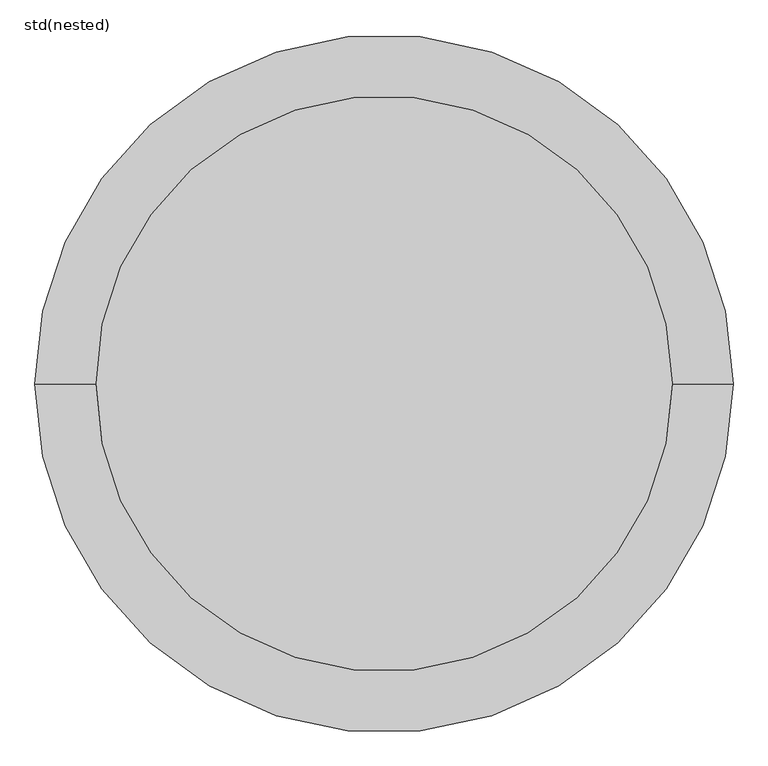
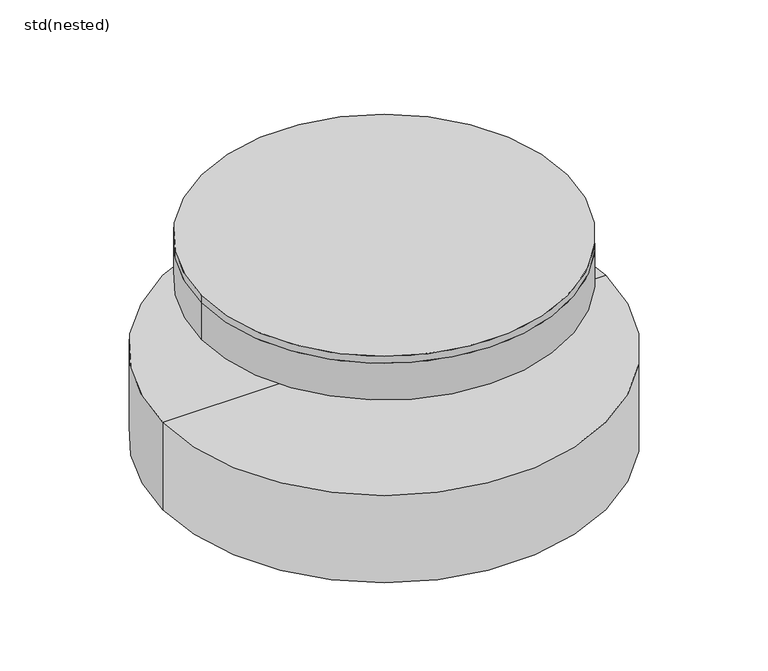
"""IFC4 building model written with IfcOpenShell, lengths in millimetres: unitary equipment geometry, std(nested)."""

from ifc_helpers import new_model, si_unit, point, frame, origin, origin_2d, place, context, project, spatial, polyline, circle_curve, trimmed, segment, composite_curve, outline, extrude, source, transform, mapped, element, save
from ifc_brep_helpers import plane_surface, cylinder_surface, revolved_surface, advanced_brep


def std_nested_99c95cc3(model_context):
    return source(origin(), model_context, "Body", "SolidModel", [
        extrude(outline(composite_curve([segment(trimmed(circle_curve(origin_2d(), 495.0), [point((-495.0, 0.0))], [point((495.0, 0.0))], False, "CARTESIAN"), True, "CONTINUOUS"), segment(trimmed(circle_curve(origin_2d(), 495.0), [point((495.0, 0.0))], [point((-495.0, 0.0))], False, "CARTESIAN"), True, "CONTINUOUS")], self_intersect=False)), frame((0.0, 0.0, -20.0), z_axis=(0.0, 0.0, 1.0), x_axis=(1.0, 0.0, 0.0)), (0.0, 0.0, 1.0), 20.0),
        extrude(outline(composite_curve([segment(trimmed(circle_curve(origin_2d(), 495.0), [point((-495.0, 0.0))], [point((495.0, 0.0))], False, "CARTESIAN"), True, "CONTINUOUS"), segment(trimmed(circle_curve(origin_2d(), 495.0), [point((495.0, 0.0))], [point((-495.0, 0.0))], False, "CARTESIAN"), True, "CONTINUOUS")], self_intersect=False)), frame((0.0, 0.0, -125.0), z_axis=(0.0, 0.0, 1.0), x_axis=(1.0, 0.0, 0.0)), (0.0, 0.0, 1.0), 105.0),
        advanced_brep(
        [(600.0, 0.0, -325.0), (-600.0, 0.0, -325.0), (0.0, 0.0, -325.0), (600.0, 0.0, -575.0), (-600.0, 0.0, -575.0), (555.0, 0.0, -575.0), (-555.0, 0.0, -575.0), (555.0, 0.0, -525.0), (-555.0, 0.0, -525.0), (0.0, 0.0, -525.0)],
        [
            (0, 1, circle_curve(frame((0.0, 0.0, -325.0), z_axis=(0.0, 0.0, 1.0), x_axis=(-1.0, 0.0, 0.0)), 600.0)),
            (1, 2),
            (2, 0),
            (1, 0, circle_curve(frame((0.0, 0.0, -325.0), z_axis=(0.0, 0.0, 1.0), x_axis=(-1.0, 0.0, 0.0)), 600.0)),
            (3, 4, circle_curve(frame((0.0, 0.0, -575.0), z_axis=(0.0, 0.0, 1.0), x_axis=(-1.0, 0.0, 0.0)), 600.0)),
            (4, 1),
            (0, 3),
            (4, 3, circle_curve(frame((0.0, 0.0, -575.0), z_axis=(0.0, 0.0, 1.0), x_axis=(-1.0, 0.0, 0.0)), 600.0)),
            (5, 6, circle_curve(frame((0.0, 0.0, -575.0), z_axis=(0.0, 0.0, 1.0), x_axis=(-1.0, 0.0, 0.0)), 555.0)),
            (6, 4),
            (3, 5),
            (6, 5, circle_curve(frame((0.0, 0.0, -575.0), z_axis=(0.0, 0.0, 1.0), x_axis=(-1.0, 0.0, 0.0)), 555.0)),
            (7, 8, circle_curve(frame((0.0, 0.0, -525.0), z_axis=(0.0, 0.0, 1.0), x_axis=(-1.0, 0.0, 0.0)), 555.0)),
            (8, 6),
            (5, 7),
            (8, 7, circle_curve(frame((0.0, 0.0, -525.0), z_axis=(0.0, 0.0, 1.0), x_axis=(-1.0, 0.0, 0.0)), 555.0)),
            (9, 8),
            (7, 9),
        ],
        [
            plane_surface(frame((0.0, 0.0, -325.0), z_axis=(0.0, 0.0, 1.0), x_axis=(-1.0, 0.0, 0.0))),
            cylinder_surface(frame((0.0, 0.0, -310.0), z_axis=(0.0, 0.0, -1.0), x_axis=(-1.0, 0.0, 0.0)), 600.0),
            plane_surface(frame((0.0, 0.0, -575.0), z_axis=(0.0, 0.0, -1.0), x_axis=(-1.0, 0.0, 0.0))),
            revolved_surface(polyline([(-555.0, 0.0, -575.0), (-555.0, 0.0, -525.0)]), (0.0, 0.0, -310.0), (0.0, 0.0, -1.0)),
            plane_surface(frame((0.0, 0.0, -525.0), z_axis=(0.0, 0.0, -1.0), x_axis=(-1.0, 0.0, 0.0))),
        ],
        [
            (0, [[1, 2, 3]]),
            (0, [[4, -3, -2]]),
            (1, [[5, 6, -1, 7]]),
            (1, [[8, -7, -4, -6]]),
            (2, [[9, 10, -5, 11]]),
            (2, [[12, -11, -8, -10]]),
            (3, [[13, 14, -9, 15]]),
            (3, [[16, -15, -12, -14]]),
            (4, [[17, -13, 18]]),
            (4, [[-18, -16, -17]]),
        ],
    ),
    ])


if __name__ == "__main__":
    model = new_model("IFC4")
    model_context = context("Model", 3, world=origin())
    ifc_project = project(units=[si_unit("LENGTHUNIT", "METRE", prefix="MILLI")], contexts=[model_context])
    site = spatial("IfcSite", under=ifc_project)
    building = spatial("IfcBuilding", under=site)
    placement = place(None, origin())
    std_nested_shape = std_nested_99c95cc3(model_context)
    element("IfcUnitaryEquipment", 1, ObjectType="std(nested)", at=placement, inside=building, context=model_context, shape_type="MappedRepresentation", body=[
        mapped(std_nested_shape, transform((0.0, 0.0, 0.0), x_axis=(1.0, 0.0, 0.0), y_axis=(0.0, 1.0, 0.0), z_axis=(0.0, 0.0, 1.0))),
    ])
    save(model, "model.ifc")
